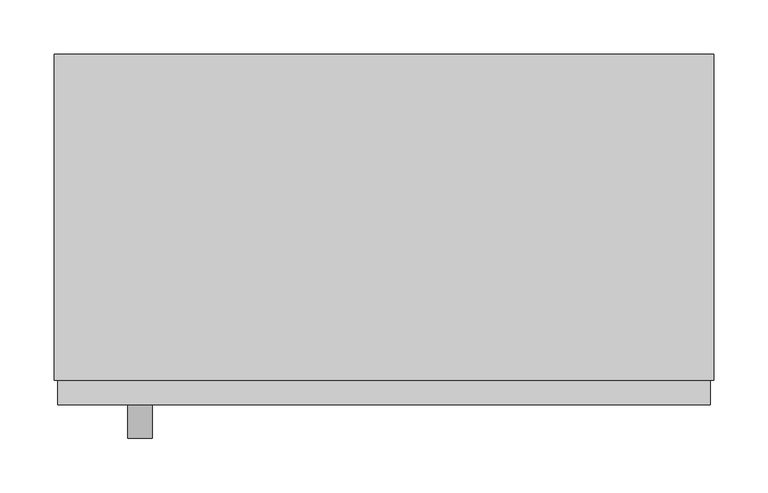
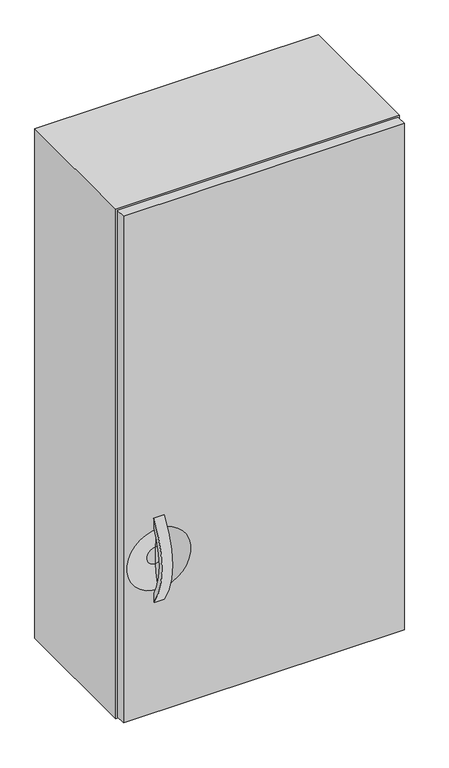
"""IFC4 building model written with IfcOpenShell, lengths in millimetres: furniture geometry."""

import ifcopenshell
import ifcopenshell.guid

model = None  # the IFC model being written
_history = None  # IfcOwnerHistory: only IFC2X3 demands one
_inside = {}  # id of a spatial element -> (the spatial element, [elements in it])
_under = {}  # id of a project, library or spatial element -> (it, [spatial elements below it])
_declared = {}  # id of a project -> (the project, [libraries it declares])
_typed = {}  # id of a type object -> (the type object, [elements of that type])
_made_of = {}  # id of a material, layer set ... -> (it, [elements and type objects made of it])


def new_model(schema):
    """Start an empty IFC model of exactly this schema.

    Asked for "IFC4X3", IfcOpenShell would pick the latest addendum, in which some entities
    have other attributes; the version numbers below select the first issue.
    IFC2X3 requires an IfcOwnerHistory on every rooted entity: one is made here for all.
    """
    global model, _history
    if schema == "IFC4X3":
        model = ifcopenshell.file(schema_version=(4, 3, 0, 0))
    else:
        model = ifcopenshell.file(schema=schema)
    _inside.clear()
    _under.clear()
    _declared.clear()
    _typed.clear()
    _made_of.clear()
    _history = None
    if model.schema == "IFC2X3":
        org = make("IfcOrganization", Name="unknown")
        user = make(
            "IfcPersonAndOrganization",
            ThePerson=make("IfcPerson", FamilyName="unknown"),
            TheOrganization=org,
        )
        app = make(
            "IfcApplication",
            ApplicationDeveloper=org,
            Version="unknown",
            ApplicationFullName="unknown",
            ApplicationIdentifier="unknown",
        )
        _history = make(
            "IfcOwnerHistory",
            OwningUser=user,
            OwningApplication=app,
            ChangeAction="ADDED",
            CreationDate=0,
        )
    return model


def make(cls, **values):
    """One entity of the class cls with the attributes given. An attribute that is None is left unset."""
    return model.create_entity(
        cls, **{name: value for name, value in values.items() if value is not None}
    )


def rooted(cls, **values):
    """An entity with a GlobalId (a new one), such as an element, a storey or a relation."""
    return make(cls, GlobalId=ifcopenshell.guid.new(), OwnerHistory=_history, **values)


def si_unit(unit_type, name, prefix=None):
    """IfcSIUnit, for example si_unit("LENGTHUNIT", "METRE", prefix="MILLI")."""
    return make("IfcSIUnit", UnitType=unit_type, Prefix=prefix, Name=name)


def assignment(units):
    """IfcUnitAssignment: the units of a project."""
    return None if units is None else make("IfcUnitAssignment", Units=units)


def point(xyz):
    """IfcCartesianPoint."""
    return None if xyz is None else make("IfcCartesianPoint", Coordinates=xyz)


def direction(xyz):
    """IfcDirection."""
    return None if xyz is None else make("IfcDirection", DirectionRatios=xyz)


def frame(location, z_axis=None, x_axis=None):
    """IfcAxis2Placement3D, a coordinate frame: its origin and axes. An axis left out is left unset."""
    return make(
        "IfcAxis2Placement3D",
        Location=point(location),
        Axis=direction(z_axis),
        RefDirection=direction(x_axis),
    )


def frame_2d(location, x_axis=None):
    """IfcAxis2Placement2D, a coordinate frame in the plane: its origin and x axis."""
    return make(
        "IfcAxis2Placement2D", Location=point(location), RefDirection=direction(x_axis)
    )


def origin():
    """The frame at (0, 0, 0) with its axes left unset."""
    return frame((0.0, 0.0, 0.0))


def place(relative_to, where):
    """IfcLocalPlacement: puts the frame where relative to a parent placement (None: the world)."""
    return make(
        "IfcLocalPlacement", PlacementRelTo=relative_to, RelativePlacement=where
    )


def context(
    kind, dimensions, precision=None, world=None, true_north=None, identifier=None
):
    """IfcGeometricRepresentationContext, for example the 3D "Model" context."""
    return make(
        "IfcGeometricRepresentationContext",
        ContextIdentifier=identifier,
        ContextType=kind,
        CoordinateSpaceDimension=dimensions,
        Precision=precision,
        WorldCoordinateSystem=world,
        TrueNorth=true_north,
    )


def project(units=None, contexts=None):
    """IfcProject with its units and contexts."""
    return rooted(
        "IfcProject",
        Name="project",
        RepresentationContexts=contexts,
        UnitsInContext=assignment(units),
    )


def spatial(cls, under=None, at=None, **own):
    """A site, building, storey or space (cls), placed at a placement, below another one or the project."""
    s = rooted(cls, ObjectPlacement=at, **own)
    if under is not None:
        _under.setdefault(under.id(), (under, []))[1].append(s)
    return s


def polyline(points):
    """IfcPolyline through the points."""
    return make("IfcPolyline", Points=[point(p) for p in points])


def circle_curve(where, radius):
    """IfcCircle in the frame where."""
    return make("IfcCircle", Position=where, Radius=radius)


def ellipse_curve(where, semi_axis1, semi_axis2):
    """IfcEllipse in the frame where."""
    return make(
        "IfcEllipse", Position=where, SemiAxis1=semi_axis1, SemiAxis2=semi_axis2
    )


def trimmed(basis, trim1, trim2, sense, master):
    """IfcTrimmedCurve: the piece of a basis curve between two trims."""
    return make(
        "IfcTrimmedCurve",
        BasisCurve=basis,
        Trim1=trim1,
        Trim2=trim2,
        SenseAgreement=sense,
        MasterRepresentation=master,
    )


def segment(curve, same_sense, transition):
    """IfcCompositeCurveSegment."""
    return make(
        "IfcCompositeCurveSegment",
        Transition=transition,
        SameSense=same_sense,
        ParentCurve=curve,
    )


def composite_curve(segments, self_intersect=None):
    """IfcCompositeCurve: segments joined end to end."""
    return make("IfcCompositeCurve", Segments=segments, SelfIntersect=self_intersect)


def outline(outer, holes=None, kind="AREA"):
    """IfcArbitraryClosedProfileDef: a profile drawn as a closed curve; with holes, ...WithVoids."""
    if holes is None:
        return make("IfcArbitraryClosedProfileDef", ProfileType=kind, OuterCurve=outer)
    return make(
        "IfcArbitraryProfileDefWithVoids",
        ProfileType=kind,
        OuterCurve=outer,
        InnerCurves=holes,
    )


def extrude(swept, where, along, depth):
    """IfcExtrudedAreaSolid: the profile swept, set in the frame where, extruded along a direction by depth."""
    return make(
        "IfcExtrudedAreaSolid",
        SweptArea=swept,
        Position=where,
        ExtrudedDirection=direction(along),
        Depth=depth,
    )


def shape(context_of_items, identifier, shape_type, items):
    """IfcShapeRepresentation: the items that make up one representation, for example the "Body"."""
    return make(
        "IfcShapeRepresentation",
        ContextOfItems=context_of_items,
        RepresentationIdentifier=identifier,
        RepresentationType=shape_type,
        Items=items,
    )


def source(mapping_origin, context_of_items, identifier, shape_type, items):
    """IfcRepresentationMap: a shape defined once, which mapped items show again and again."""
    return make(
        "IfcRepresentationMap",
        MappingOrigin=mapping_origin,
        MappedRepresentation=shape(context_of_items, identifier, shape_type, items),
    )


def transform(
    local_origin,
    x_axis=None,
    y_axis=None,
    z_axis=None,
    scale=None,
    scale2=None,
    scale3=None,
    uniform=True,
):
    """IfcCartesianTransformationOperator3D, or its non-uniform kind. x_axis, y_axis, z_axis: its Axis1, 2, 3."""
    if uniform:
        return make(
            "IfcCartesianTransformationOperator3D",
            Axis1=direction(x_axis),
            Axis2=direction(y_axis),
            LocalOrigin=point(local_origin),
            Scale=scale,
            Axis3=direction(z_axis),
        )
    return make(
        "IfcCartesianTransformationOperator3DnonUniform",
        Axis1=direction(x_axis),
        Axis2=direction(y_axis),
        LocalOrigin=point(local_origin),
        Scale=scale,
        Axis3=direction(z_axis),
        Scale2=scale2,
        Scale3=scale3,
    )


def mapped(mapping_source, mapping_target):
    """IfcMappedItem: shows the shape of a source again, moved by a transform."""
    return make(
        "IfcMappedItem", MappingSource=mapping_source, MappingTarget=mapping_target
    )


def made_of(thing, what):
    """Note that an element or type object is made of a material, layer set ...; save() writes the relation."""
    if what is not None:
        _made_of.setdefault(what.id(), (what, []))[1].append(thing)
    return thing


def element(
    cls,
    number,
    at=None,
    inside=None,
    cuts=None,
    type_object=None,
    material=None,
    context=None,
    identifier="Body",
    shape_type=None,
    held_by="IfcProductDefinitionShape",
    body=None,
    shapes=None,
    **own,
):
    """One element of the class cls, such as IfcWall. Its Tag is "e" and its number.

    at: its placement. inside: the storey or other place that contains it. cuts: it is an
    opening in that element (IfcRelVoidsElement). A single representation is given by context,
    identifier, shape_type and body (its items); several are given by shapes. held_by: the class
    of the entity that holds the representations. save() writes the other relations.
    """
    e = rooted(cls, Tag="e%d" % number, ObjectPlacement=at, **own)
    if body is not None:
        shapes = [shape(context, identifier, shape_type, body)]
    if shapes is not None:
        e.Representation = make(held_by, Representations=shapes)
    if inside is not None:
        _inside.setdefault(inside.id(), (inside, []))[1].append(e)
    if cuts is not None:
        rooted(
            "IfcRelVoidsElement", RelatingBuildingElement=cuts, RelatedOpeningElement=e
        )
    if type_object is not None:
        _typed.setdefault(type_object.id(), (type_object, []))[1].append(e)
    return made_of(e, material)


def aggregate(whole, parts):
    """IfcRelAggregates: a whole, such as a stair, and the parts it consists of."""
    return rooted("IfcRelAggregates", RelatingObject=whole, RelatedObjects=parts)


def save(model, path):
    """Write the relations noted so far, then the file.

    IfcRelAggregates (storeys below a building ...), IfcRelContainedInSpatialStructure (elements
    in a storey), IfcRelDefinesByType, IfcRelAssociatesMaterial and IfcRelDeclares: one each for
    every whole, place, type object, material and project.
    """
    for whole, parts in _under.values():
        aggregate(whole, parts)
    for where, things in _inside.values():
        rooted(
            "IfcRelContainedInSpatialStructure",
            RelatedElements=things,
            RelatingStructure=where,
        )
    for kind, things in _typed.values():
        rooted("IfcRelDefinesByType", RelatedObjects=things, RelatingType=kind)
    for what, things in _made_of.values():
        rooted("IfcRelAssociatesMaterial", RelatedObjects=things, RelatingMaterial=what)
    for by, libraries in _declared.values():
        rooted("IfcRelDeclares", RelatingContext=by, RelatedDefinitions=libraries)
    model.write(path)


def plane_surface(at):
    """IfcPlane: the flat surface through the origin of the frame at, square to its z axis."""
    return make("IfcPlane", Position=at)


def revolved_surface(curve, axis_point, axis_direction):
    """IfcSurfaceOfRevolution: the curve turned about the line through axis_point along axis_direction."""
    return make(
        "IfcSurfaceOfRevolution",
        SweptCurve=make("IfcArbitraryOpenProfileDef", ProfileType="CURVE", Curve=curve),
        AxisPosition=make("IfcAxis1Placement", Location=point(axis_point), Axis=direction(axis_direction)),
    )


def advanced_brep(points, edges, surfaces, faces):
    """IfcAdvancedBrep: a solid bounded by faces that lie on surfaces and meet in shared edges.

    An edge is (start, end): straight between two places in points (the first is 0);
    or (start, end, curve); or (start, end, curve, False) where it runs against its curve.
    A face is (place in surfaces, loops), or (place, loops, False) where it looks against
    its surface's normal. A loop lists edges by number (the first is 1), with a minus sign
    where the edge is run from its end to its start. The first loop is the outer one.
    """
    corners = [point(p) for p in points]
    vertices = [make("IfcVertexPoint", VertexGeometry=c) for c in corners]
    made = []
    for start, end, *more in edges:
        made.append(
            make(
                "IfcEdgeCurve",
                EdgeStart=vertices[start],
                EdgeEnd=vertices[end],
                EdgeGeometry=more[0] if more else make("IfcPolyline", Points=[corners[start], corners[end]]),
                SameSense=more[1] if len(more) > 1 else True,
            )
        )
    hull = []
    for where, loops, *sense in faces:
        bounds = []
        for j, loop in enumerate(loops):
            ring = [make("IfcOrientedEdge", EdgeElement=made[abs(k) - 1], Orientation=k > 0) for k in loop]
            bounds.append(
                make(
                    "IfcFaceOuterBound" if j == 0 else "IfcFaceBound",
                    Bound=make("IfcEdgeLoop", EdgeList=ring),
                    Orientation=True,
                )
            )
        hull.append(make("IfcAdvancedFace", Bounds=bounds, FaceSurface=surfaces[where], SameSense=sense[0] if sense else True))
    return make("IfcAdvancedBrep", Outer=make("IfcClosedShell", CfsFaces=hull))


def furniture_7eaa134d(model_context):
    return source(origin(), model_context, "Body", "SolidModel", [
        extrude(outline(composite_curve([segment(trimmed(circle_curve(frame_2d((-190.9255705, 1330.2873915)), 164.0076795), [point((-323.977, 1234.3924696))], [point((-323.977, 1426.1823133))], False, "CARTESIAN"), True, "CONTINUOUS"), segment(polyline([(-323.977, 1426.1823133), (-323.977, 1407.5224592)]), True, "CONTINUOUS"), segment(trimmed(circle_curve(frame_2d((-192.7296017, 1330.2889927)), 152.2855473), [point((-323.977, 1407.5224592))], [point((-323.977, 1253.0555261))], True, "CARTESIAN"), True, "CONTINUOUS"), segment(polyline([(-323.977, 1253.0555261), (-323.977, 1234.3924696)]), True, "CONTINUOUS")], self_intersect=False)), frame((-217.7997951, 0.0, 0.0), z_axis=(1.0, 0.0, 0.0), x_axis=(0.0, 1.0, 0.0)), (0.0, 0.0, 1.0), 22.225),
        advanced_brep(
        [(-282.8872951, -301.2559062, 2133.52888), (-282.8872951, -323.977, 2133.52888), (320.3627049, -323.977, 2133.52888), (320.3627049, -301.2559062, 2133.52888), (-282.8872951, -301.2559062, 984.25508), (320.3627049, -301.2559062, 984.25508), (320.3627049, -323.977, 984.25508), (-282.8872951, -323.977, 984.25508), (-206.6872951, -323.977, 1398.8645646), (-206.6872951, -323.977, 1261.7102183), (-206.6872951, -311.3273482, 1311.2396079), (-206.6872951, -311.3273482, 1349.335175), (-206.6872951, -311.3273482, 1330.2873915)],
        [
            (0, 1),
            (1, 2),
            (2, 3),
            (3, 0),
            (4, 5),
            (5, 6),
            (6, 7),
            (7, 4),
            (0, 4),
            (7, 1),
            (6, 2),
            (8, 9, circle_curve(frame((-206.6872951, -323.977, 1330.2873915), z_axis=(0.0, 1.0, 0.0), x_axis=(0.0, 0.0, 1.0)), 68.5771731)),
            (9, 8, circle_curve(frame((-206.6872951, -323.977, 1330.2873915), z_axis=(0.0, 1.0, 0.0), x_axis=(0.0, 0.0, 1.0)), 68.5771731)),
            (5, 3),
            (10, 9, circle_curve(frame((-206.6872951, -432.1044866, 1315.7056772), z_axis=(-1.0, 0.0, 0.0), x_axis=(0.0, -1.0, 0.0)), 120.8596829)),
            (8, 11, circle_curve(frame((-206.6872951, -432.1044866, 1344.8691057), z_axis=(-1.0, 0.0, 0.0), x_axis=(0.0, -1.0, 0.0)), 120.8596829)),
            (11, 10, circle_curve(frame((-206.6872951, -311.3273482, 1330.2873915), z_axis=(0.0, 1.0, 0.0), x_axis=(0.0, 0.0, 1.0)), 19.0477836)),
            (10, 11, circle_curve(frame((-206.6872951, -311.3273482, 1330.2873915), z_axis=(0.0, 1.0, 0.0), x_axis=(0.0, 0.0, 1.0)), 19.0477836)),
            (11, 12),
            (12, 10),
        ],
        [
            plane_surface(frame((-282.8872951, -323.977, 2133.52888), z_axis=(0.0, 0.0, 1.0), x_axis=(0.0, -1.0, 0.0))),
            plane_surface(frame((-282.8872951, -323.977, 984.25508), z_axis=(0.0, 0.0, -1.0), x_axis=(0.0, 1.0, 0.0))),
            plane_surface(frame((-282.8872951, -301.2559062, 2133.52888), z_axis=(-1.0, 0.0, 0.0), x_axis=(0.0, 0.0, -1.0))),
            plane_surface(frame((-282.8872951, -323.977, 2133.52888), z_axis=(0.0, -1.0, 0.0), x_axis=(0.0, 0.0, -1.0))),
            plane_surface(frame((320.3627049, -323.977, 2133.52888), z_axis=(1.0, 0.0, 0.0), x_axis=(0.0, 0.0, -1.0))),
            plane_surface(frame((320.3627049, -301.2559062, 2133.52888), z_axis=(0.0, 1.0, 0.0), x_axis=(0.0, 0.0, -1.0))),
            revolved_surface(trimmed(ellipse_curve(frame((-206.6872951, -432.1044866, 1344.8691057), z_axis=(1.0, 0.0, 0.0), x_axis=(0.0, -1.0, 0.0)), 120.8596829, 120.8596829), [point((-206.6872951, -311.3273482, 1349.335175))], [point((-206.6872951, -323.977, 1398.8645646))], True, "CARTESIAN"), (-206.6872951, -311.3273482, 1330.2873915), (0.0, 1.0, 0.0)),
            plane_surface(frame((-206.6872951, -311.3273482, 1330.2873915), z_axis=(0.0, -1.0, 0.0), x_axis=(0.0, 0.0, 1.0))),
        ],
        [
            (0, [[1, 2, 3, 4]]),
            (1, [[5, 6, 7, 8]]),
            (2, [[-1, 9, -8, 10]]),
            (3, [[-2, -10, -7, 11], [12, 13]]),
            (4, [[-3, -11, -6, 14]]),
            (5, [[-4, -14, -5, -9]]),
            (6, [[15, -12, 16, 17]]),
            (6, [[-15, 18, -16, -13]]),
            (7, [[-17, 19, 20]]),
            (7, [[-18, -20, -19]]),
        ],
    ),
        extrude(outline(polyline([(-286.0622951, 0.0), (323.5377049, 0.0), (323.5377049, -301.2559062), (-286.0622951, -301.2559062), (-286.0622951, 0.0)])), frame((0.0, 0.0, 981.08008), z_axis=(0.0, 0.0, 1.0), x_axis=(1.0, 0.0, 0.0)), (0.0, 0.0, 1.0), 1155.6238),
    ])


if __name__ == "__main__":
    model = new_model("IFC4")
    model_context = context("Model", 3, world=origin())
    ifc_project = project(units=[si_unit("LENGTHUNIT", "METRE", prefix="MILLI")], contexts=[model_context])
    site = spatial("IfcSite", under=ifc_project)
    building = spatial("IfcBuilding", under=site)
    placement = place(None, origin())
    furniture_shape = furniture_7eaa134d(model_context)
    element("IfcFurniture", 1, at=placement, inside=building, context=model_context, shape_type="MappedRepresentation", body=[
        mapped(furniture_shape, transform((0.0, 0.0, 0.0), x_axis=(1.0, 0.0, 0.0), y_axis=(0.0, 1.0, 0.0), z_axis=(0.0, 0.0, 1.0))),
    ])
    save(model, "model.ifc")
